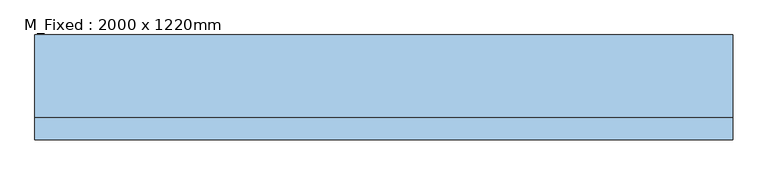
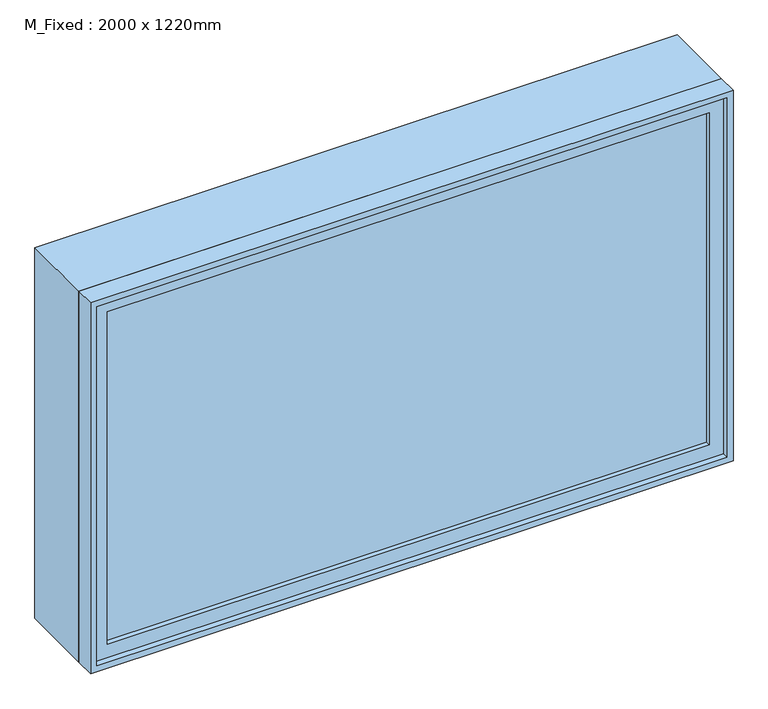
"""IFC4 building model written with IfcOpenShell, lengths in millimetres: window geometry, M_Fixed : 2000 x 1220mm."""

from ifc_helpers import new_model, si_unit, frame, origin, place, context, project, spatial, polyline, outline, extrude, source, transform, mapped, element, save


def m_fixed_2000_x_1220mm_5e4432c1(model_context):
    return source(origin(), model_context, "Body", "SweptSolid", [
        extrude(outline(polyline([(-937.0, -128.0), (-937.0, -116.0), (937.0, -116.0), (937.0, -128.0), (-937.0, -128.0)])), frame((0.0, 0.0, 978.0), z_axis=(0.0, 0.0, 1.0), x_axis=(1.0, 0.0, 0.0)), (0.0, 0.0, 1.0), 1094.0),
        extrude(outline(polyline([(2116.0, -981.0), (934.0, -981.0), (934.0, 981.0), (2116.0, 981.0), (2116.0, -981.0)]), holes=[polyline([(2072.0, -937.0), (2072.0, 937.0), (978.0, 937.0), (978.0, -937.0), (2072.0, -937.0)])]), frame((0.0, -144.0, 0.0), z_axis=(0.0, 1.0, 0.0), x_axis=(0.0, 0.0, 1.0)), (0.0, 0.0, 1.0), 44.0),
        extrude(outline(polyline([(2135.0, -1000.0), (915.0, -1000.0), (915.0, 1000.0), (2135.0, 1000.0), (2135.0, -1000.0)]), holes=[polyline([(2116.0, -981.0), (2116.0, 981.0), (934.0, 981.0), (934.0, -981.0), (2116.0, -981.0)])]), frame((0.0, -163.0, 0.0), z_axis=(0.0, 1.0, 0.0), x_axis=(0.0, 0.0, 1.0)), (0.0, 0.0, 1.0), 63.0),
        extrude(outline(polyline([(2135.0, -1000.0), (915.0, -1000.0), (915.0, 1000.0), (2135.0, 1000.0), (2135.0, -1000.0)]), holes=[polyline([(2103.0, -968.0), (2103.0, 968.0), (947.0, 968.0), (947.0, -968.0), (2103.0, -968.0)])]), frame((0.0, -100.0, 0.0), z_axis=(0.0, 1.0, 0.0), x_axis=(0.0, 0.0, 1.0)), (0.0, 0.0, 1.0), 237.0),
    ])


if __name__ == "__main__":
    model = new_model("IFC4")
    model_context = context("Model", 3, world=origin())
    ifc_project = project(units=[si_unit("LENGTHUNIT", "METRE", prefix="MILLI")], contexts=[model_context])
    site = spatial("IfcSite", under=ifc_project)
    building = spatial("IfcBuilding", under=site)
    placement = place(None, origin())
    m_fixed_2000_x_1220mm_shape = m_fixed_2000_x_1220mm_5e4432c1(model_context)
    element("IfcWindow", 1, ObjectType="M_Fixed : 2000 x 1220mm", at=placement, inside=building, context=model_context, shape_type="MappedRepresentation", body=[
        mapped(m_fixed_2000_x_1220mm_shape, transform((0.0, 0.0, 0.0), x_axis=(1.0, 0.0, 0.0), y_axis=(0.0, 1.0, 0.0), z_axis=(0.0, 0.0, 1.0))),
    ])
    save(model, "model.ifc")
